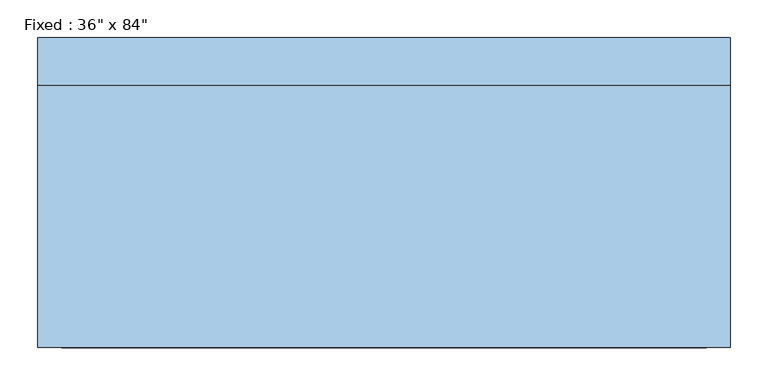
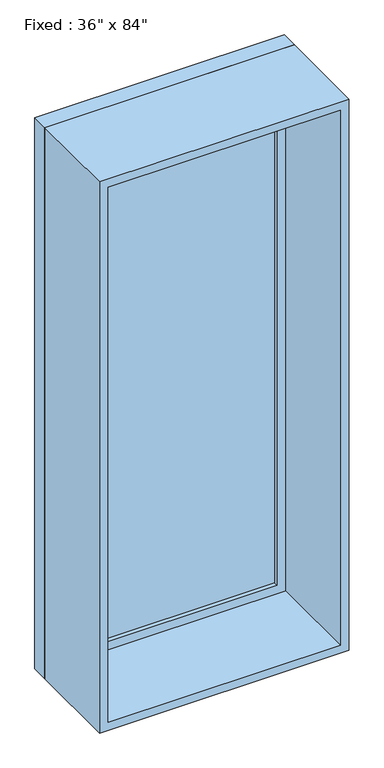
"""IFC4 building model written with IfcOpenShell, lengths in millimetres: window geometry."""

from ifc_helpers import new_model, si_unit, frame, origin, place, context, project, spatial, polyline, outline, extrude, source, transform, mapped, element, save


def window_c982e8c8(model_context):
    return source(origin(), model_context, "Body", "SweptSolid", [
        extrude(outline(polyline([(355.6, 157.1625), (-431.8, 157.1625), (-431.8, 169.8625), (355.6, 169.8625), (355.6, 157.1625)])), frame((0.0, 0.0, 368.3), z_axis=(0.0, 0.0, 1.0), x_axis=(1.0, 0.0, 0.0)), (0.0, 0.0, 1.0), 2006.6),
        extrude(outline(polyline([(2419.35, -476.25), (323.85, -476.25), (323.85, 400.05), (2419.35, 400.05), (2419.35, -476.25)]), holes=[polyline([(2374.9, -431.8), (2374.9, 355.6), (368.3, 355.6), (368.3, -431.8), (2374.9, -431.8)])]), frame((0.0, 141.2875, 0.0), z_axis=(0.0, 1.0, 0.0), x_axis=(0.0, 0.0, 1.0)), (0.0, 0.0, 1.0), 44.45),
        extrude(outline(polyline([(2438.4, -495.3), (304.8, -495.3), (304.8, 419.1), (2438.4, 419.1), (2438.4, -495.3)]), holes=[polyline([(2406.65, -463.55), (2406.65, 387.35), (336.55, 387.35), (336.55, -463.55), (2406.65, -463.55)])]), frame((0.0, -204.7875, 0.0), z_axis=(0.0, 1.0, 0.0), x_axis=(0.0, 0.0, 1.0)), (0.0, 0.0, 1.0), 346.075),
        extrude(outline(polyline([(2438.4, 419.1), (2438.4, -495.3), (304.8, -495.3), (304.8, 419.1), (2438.4, 419.1)]), holes=[polyline([(2419.35, 400.05), (323.85, 400.05), (323.85, -476.25), (2419.35, -476.25), (2419.35, 400.05)])]), frame((0.0, 141.2875, 0.0), z_axis=(0.0, 1.0, 0.0), x_axis=(0.0, 0.0, 1.0)), (0.0, 0.0, 1.0), 63.5),
    ])


if __name__ == "__main__":
    model = new_model("IFC4")
    model_context = context("Model", 3, world=origin())
    ifc_project = project(units=[si_unit("LENGTHUNIT", "METRE", prefix="MILLI")], contexts=[model_context])
    site = spatial("IfcSite", under=ifc_project)
    building = spatial("IfcBuilding", under=site)
    placement = place(None, origin())
    window_shape = window_c982e8c8(model_context)
    element("IfcWindow", 1, ObjectType="Fixed : 36\" x 84\"", at=placement, inside=building, context=model_context, shape_type="MappedRepresentation", body=[
        mapped(window_shape, transform((0.0, 0.0, 0.0), x_axis=(1.0, 0.0, 0.0), y_axis=(0.0, 1.0, 0.0), z_axis=(0.0, 0.0, 1.0))),
    ])
    save(model, "model.ifc")
